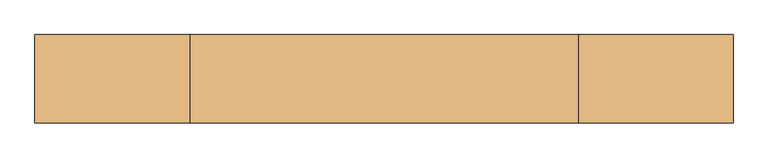
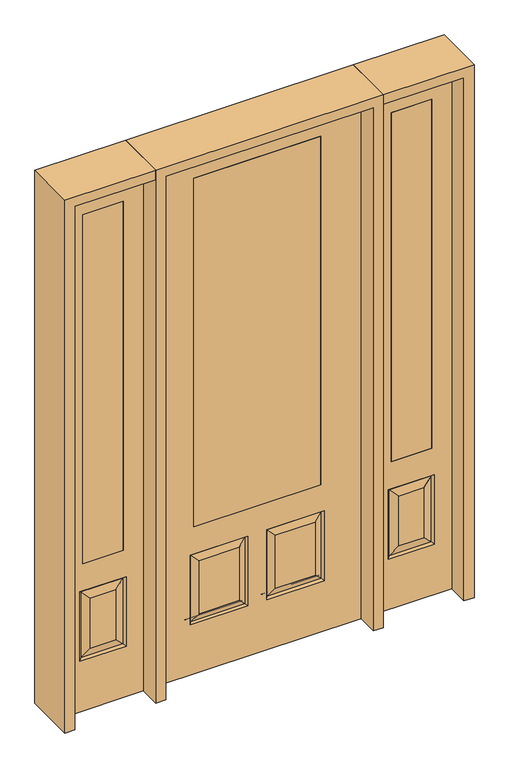
"""IFC4 building model written with IfcOpenShell, lengths in millimetres: door geometry."""

from ifc_helpers import new_model, si_unit, frame, origin, place, context, project, spatial, polyline, outline, extrude, faceted_brep, source, transform, mapped, element, save


def door_7639aa7a(model_context):
    return source(origin(), model_context, "Body", "SolidModel", [
        extrude(outline(polyline([(590.55, -20.6375), (590.55, 20.6375), (768.35, 20.6375), (768.35, -20.6375), (590.55, -20.6375)])), frame((0.0, 0.0, 685.8), z_axis=(0.0, 0.0, 1.0), x_axis=(1.0, 0.0, 0.0)), (0.0, 0.0, 1.0), 1625.6),
        faceted_brep([(857.25, -20.6375, 0.0), (857.25, -20.6375, 2438.4), (501.65, -20.6375, 2438.4), (501.65, -20.6375, 0.0), (577.85, -20.6375, 234.95), (577.85, -20.6375, 558.8), (781.05, -20.6375, 558.8), (781.05, -20.6375, 234.95), (590.55, -20.6375, 685.8), (590.55, -20.6375, 2311.4), (768.35, -20.6375, 2311.4), (768.35, -20.6375, 685.8), (735.0125, -20.6375, 280.9875), (735.0125, -20.6375, 512.7625), (623.8875, -20.6375, 512.7625), (623.8875, -20.6375, 280.9875), (501.65, 20.6375, 0.0), (857.25, 20.6375, 0.0), (501.65, 20.6375, 2438.4), (857.25, 20.6375, 2438.4), (586.8302561, -11.6572439, 243.9302561), (772.0697439, -11.6572439, 243.9302561), (772.0697439, -11.6572439, 549.8197439), (586.8302561, -11.6572439, 549.8197439), (781.05, 20.6375, 234.95), (781.05, 20.6375, 558.8), (577.85, 20.6375, 558.8), (577.85, 20.6375, 234.95), (768.35, 20.6375, 685.8), (768.35, 20.6375, 2311.4), (590.55, 20.6375, 2311.4), (590.55, 20.6375, 685.8), (623.8875, 20.6375, 280.9875), (623.8875, 20.6375, 512.7625), (735.0125, 20.6375, 512.7625), (735.0125, 20.6375, 280.9875), (586.8302561, 11.6572439, 243.9302561), (772.0697439, 11.6572439, 243.9302561), (586.8302561, 11.6572439, 549.8197439), (772.0697439, 11.6572439, 549.8197439)], [[[0, 1, 2, 3], [4, 5, 6, 7], [8, 9, 10, 11]], [[12, 13, 14, 15]], [[3, 16, 17, 0]], [[2, 18, 16, 3]], [[0, 17, 19, 1]], [[20, 4, 7, 21]], [[7, 6, 22, 21]], [[6, 5, 23, 22]], [[20, 23, 5, 4]], [[21, 12, 15, 20]], [[15, 14, 23, 20]], [[22, 23, 14, 13]], [[21, 22, 13, 12]], [[17, 16, 18, 19], [24, 25, 26, 27], [28, 29, 30, 31]], [[32, 33, 34, 35]], [[24, 27, 36, 37]], [[27, 26, 38, 36]], [[39, 38, 26, 25]], [[37, 39, 25, 24]], [[36, 32, 35, 37]], [[35, 34, 39, 37]], [[34, 33, 38, 39]], [[36, 38, 33, 32]], [[1, 19, 18, 2]], [[8, 11, 28, 31]], [[11, 10, 29, 28]], [[31, 30, 9, 8]], [[30, 29, 10, 9]]]),
        extrude(outline(polyline([(-590.55, -20.6375), (-768.35, -20.6375), (-768.35, 20.6375), (-590.55, 20.6375), (-590.55, -20.6375)])), frame((0.0, 0.0, 685.8), z_axis=(0.0, 0.0, 1.0), x_axis=(1.0, 0.0, 0.0)), (0.0, 0.0, 1.0), 1625.6),
        faceted_brep([(-857.25, -20.6375, 0.0), (-501.65, -20.6375, 0.0), (-501.65, -20.6375, 2438.4), (-857.25, -20.6375, 2438.4), (-577.85, -20.6375, 234.95), (-781.05, -20.6375, 234.95), (-781.05, -20.6375, 558.8), (-577.85, -20.6375, 558.8), (-590.55, -20.6375, 685.8), (-768.35, -20.6375, 685.8), (-768.35, -20.6375, 2311.4), (-590.55, -20.6375, 2311.4), (-735.0125, -20.6375, 280.9875), (-623.8875, -20.6375, 280.9875), (-623.8875, -20.6375, 512.7625), (-735.0125, -20.6375, 512.7625), (-857.25, 20.6375, 0.0), (-501.65, 20.6375, 0.0), (-501.65, 20.6375, 2438.4), (-857.25, 20.6375, 2438.4), (-586.8302561, -11.6572439, 243.9302561), (-772.0697439, -11.6572439, 243.9302561), (-772.0697439, -11.6572439, 549.8197439), (-586.8302561, -11.6572439, 549.8197439), (-781.05, 20.6375, 234.95), (-577.85, 20.6375, 234.95), (-577.85, 20.6375, 558.8), (-781.05, 20.6375, 558.8), (-768.35, 20.6375, 685.8), (-590.55, 20.6375, 685.8), (-590.55, 20.6375, 2311.4), (-768.35, 20.6375, 2311.4), (-623.8875, 20.6375, 280.9875), (-735.0125, 20.6375, 280.9875), (-735.0125, 20.6375, 512.7625), (-623.8875, 20.6375, 512.7625), (-772.0697439, 11.6572439, 243.9302561), (-586.8302561, 11.6572439, 243.9302561), (-586.8302561, 11.6572439, 549.8197439), (-772.0697439, 11.6572439, 549.8197439)], [[[0, 1, 2, 3], [4, 5, 6, 7], [8, 9, 10, 11]], [[12, 13, 14, 15]], [[1, 0, 16, 17]], [[2, 1, 17, 18]], [[0, 3, 19, 16]], [[20, 21, 5, 4]], [[5, 21, 22, 6]], [[6, 22, 23, 7]], [[20, 4, 7, 23]], [[21, 20, 13, 12]], [[13, 20, 23, 14]], [[22, 15, 14, 23]], [[21, 12, 15, 22]], [[16, 19, 18, 17], [24, 25, 26, 27], [28, 29, 30, 31]], [[32, 33, 34, 35]], [[24, 36, 37, 25]], [[25, 37, 38, 26]], [[39, 27, 26, 38]], [[36, 24, 27, 39]], [[37, 36, 33, 32]], [[33, 36, 39, 34]], [[34, 39, 38, 35]], [[37, 32, 35, 38]], [[3, 2, 18, 19]], [[8, 29, 28, 9]], [[9, 28, 31, 10]], [[29, 8, 11, 30]], [[30, 11, 10, 31]]]),
        faceted_brep([(279.4, 20.6375, 685.8), (279.4, -20.6375, 685.8), (279.4, -20.6375, 2311.4), (279.4, 20.6375, 2311.4), (-279.4, 20.6375, 685.8), (-279.4, -20.6375, 685.8), (-80.1727627, 20.6375, 273.8477627), (-256.3772373, 20.6375, 273.8477627), (-256.3772373, 20.6375, 520.4102373), (-80.1727627, 20.6375, 520.4102373), (256.3772373, 20.6375, 273.8477627), (80.1727627, 20.6375, 273.8477627), (80.1727627, 20.6375, 520.4102373), (256.3772373, 20.6375, 520.4102373), (-457.2, 20.6375, 2438.4), (457.2, 20.6375, 2438.4), (457.2, 20.6375, 0.0), (-457.2, 20.6375, 0.0), (-279.4, 20.6375, 2311.4), (-295.275, 20.6375, 234.95), (-41.275, 20.6375, 234.95), (-41.275, 20.6375, 559.308), (-295.275, 20.6375, 559.308), (41.275, 20.6375, 234.95), (295.275, 20.6375, 234.95), (295.275, 20.6375, 559.308), (41.275, 20.6375, 559.308), (-279.4, -20.6375, 2311.4), (80.1727627, -20.6375, 273.8477627), (256.3772373, -20.6375, 273.8477627), (256.3772373, -20.6375, 520.4102373), (80.1727627, -20.6375, 520.4102373), (-256.3772373, -20.6375, 273.8477627), (-80.1727627, -20.6375, 273.8477627), (-80.1727627, -20.6375, 520.4102373), (-256.3772373, -20.6375, 520.4102373), (457.2, -20.6375, 2438.4), (-457.2, -20.6375, 2438.4), (-457.2, -20.6375, 0.0), (457.2, -20.6375, 0.0), (295.275, -20.6375, 234.95), (41.275, -20.6375, 234.95), (41.275, -20.6375, 559.308), (295.275, -20.6375, 559.308), (-41.275, -20.6375, 234.95), (-295.275, -20.6375, 234.95), (-295.275, -20.6375, 559.308), (-41.275, -20.6375, 559.308), (-287.8714647, 11.4399763, 242.3535353), (-48.6785353, 11.4399763, 242.3535353), (-48.6785353, 11.4399763, 551.9044647), (-287.8714647, 11.4399763, 551.9044647), (48.6785353, 11.4399763, 242.3535353), (287.8714647, 11.4399763, 242.3535353), (287.8714647, 11.4399763, 551.9044647), (48.6785353, 11.4399763, 551.9044647), (287.8714647, -11.4399763, 242.3535353), (48.6785353, -11.4399763, 242.3535353), (48.6785353, -11.4399763, 551.9044647), (287.8714647, -11.4399763, 551.9044647), (-48.6785353, -11.4399763, 242.3535353), (-287.8714647, -11.4399763, 242.3535353), (-287.8714647, -11.4399763, 551.9044647), (-48.6785353, -11.4399763, 551.9044647)], [[[0, 1, 2, 3]], [[1, 0, 4, 5]], [[6, 7, 8, 9]], [[10, 11, 12, 13]], [[14, 15, 16, 17], [4, 0, 3, 18], [19, 20, 21, 22], [23, 24, 25, 26]], [[5, 4, 18, 27]], [[28, 29, 30, 31]], [[32, 33, 34, 35]], [[36, 37, 38, 39], [1, 5, 27, 2], [40, 41, 42, 43], [44, 45, 46, 47]], [[39, 38, 17, 16]], [[37, 14, 17, 38]], [[15, 36, 39, 16]], [[19, 48, 49, 20]], [[20, 49, 50, 21]], [[51, 22, 21, 50]], [[48, 19, 22, 51]], [[49, 48, 7, 6]], [[7, 48, 51, 8]], [[8, 51, 50, 9]], [[49, 6, 9, 50]], [[52, 53, 24, 23]], [[24, 53, 54, 25]], [[25, 54, 55, 26]], [[52, 23, 26, 55]], [[53, 52, 11, 10]], [[11, 52, 55, 12]], [[54, 13, 12, 55]], [[53, 10, 13, 54]], [[40, 56, 57, 41]], [[41, 57, 58, 42]], [[59, 43, 42, 58]], [[56, 40, 43, 59]], [[57, 56, 29, 28]], [[29, 56, 59, 30]], [[30, 59, 58, 31]], [[57, 28, 31, 58]], [[60, 61, 45, 44]], [[45, 61, 62, 46]], [[46, 62, 63, 47]], [[60, 44, 47, 63]], [[61, 60, 33, 32]], [[33, 60, 63, 34]], [[62, 35, 34, 63]], [[61, 32, 35, 62]], [[3, 2, 27, 18]], [[36, 15, 14, 37]]]),
        extrude(outline(polyline([(279.4, -20.6375), (-279.4, -20.6375), (-279.4, 20.6375), (279.4, 20.6375), (279.4, -20.6375)])), frame((0.0, 0.0, 685.8), z_axis=(0.0, 0.0, 1.0), x_axis=(1.0, 0.0, 0.0)), (0.0, 0.0, 1.0), 1625.6),
        extrude(outline(polyline([(2438.4, -501.65), (2482.85, -501.65), (2482.85, -901.7), (0.0, -901.7), (0.0, -857.25), (2438.4, -857.25), (2438.4, -501.65)])), frame((0.0, -114.3, 0.0), z_axis=(0.0, 1.0, 0.0), x_axis=(0.0, 0.0, 1.0)), (0.0, 0.0, 1.0), 228.6),
        extrude(outline(polyline([(2482.85, -501.65), (0.0, -501.65), (0.0, -457.2), (2438.4, -457.2), (2438.4, 457.2), (0.0, 457.2), (0.0, 501.65), (2482.85, 501.65), (2482.85, -501.65)])), frame((0.0, -114.3, 0.0), z_axis=(0.0, 1.0, 0.0), x_axis=(0.0, 0.0, 1.0)), (0.0, 0.0, 1.0), 228.6),
        extrude(outline(polyline([(0.0, 857.25), (0.0, 901.7), (2482.85, 901.7), (2482.85, 501.65), (2438.4, 501.65), (2438.4, 857.25), (0.0, 857.25)])), frame((0.0, -114.3, 0.0), z_axis=(0.0, 1.0, 0.0), x_axis=(0.0, 0.0, 1.0)), (0.0, 0.0, 1.0), 228.6),
    ])


if __name__ == "__main__":
    model = new_model("IFC4")
    model_context = context("Model", 3, world=origin())
    ifc_project = project(units=[si_unit("LENGTHUNIT", "METRE", prefix="MILLI")], contexts=[model_context])
    site = spatial("IfcSite", under=ifc_project)
    building = spatial("IfcBuilding", under=site)
    placement = place(None, origin())
    door_shape = door_7639aa7a(model_context)
    element("IfcDoor", 1, at=placement, inside=building, context=model_context, shape_type="MappedRepresentation", body=[
        mapped(door_shape, transform((0.0, 0.0, 0.0), x_axis=(1.0, 0.0, 0.0), y_axis=(0.0, 1.0, 0.0), z_axis=(0.0, 0.0, 1.0))),
    ])
    save(model, "model.ifc")
